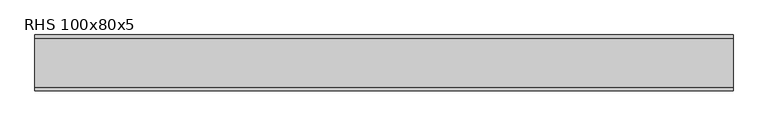
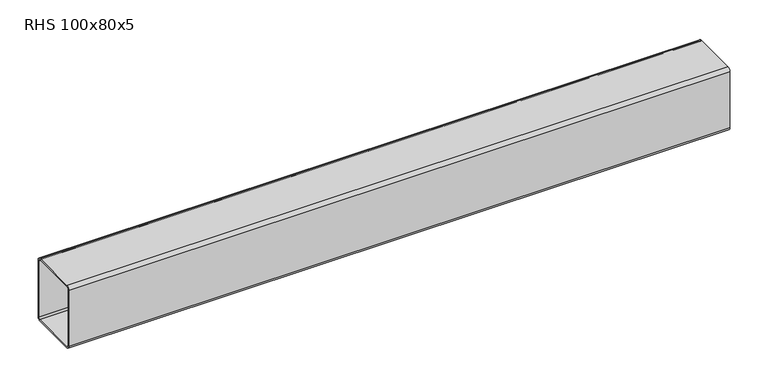
"""IFC4 building model written with IfcOpenShell, lengths in millimetres: beam geometry, RHS 100x80x5."""

from ifc_helpers import new_model, si_unit, point, frame, frame_2d, origin, place, context, project, spatial, polyline, circle_curve, trimmed, segment, composite_curve, outline, extrude, source, transform, mapped, element, save


def rhs_100x80x5_f4bbaf77(model_context):
    return source(origin(), model_context, "Body", "SweptSolid", [
        extrude(outline(composite_curve([segment(polyline([(40.0, 45.0), (40.0, -45.0)]), True, "CONTINUOUS"), segment(trimmed(circle_curve(frame_2d((35.0, -45.0)), 5.0), [point((40.0, -45.0))], [point((35.0, -50.0))], False, "CARTESIAN"), True, "CONTINUOUS"), segment(polyline([(35.0, -50.0), (-35.0, -50.0)]), True, "CONTINUOUS"), segment(trimmed(circle_curve(frame_2d((-35.0, -45.0)), 5.0), [point((-35.0, -50.0))], [point((-40.0, -45.0))], False, "CARTESIAN"), True, "CONTINUOUS"), segment(polyline([(-40.0, -45.0), (-40.0, 45.0)]), True, "CONTINUOUS"), segment(trimmed(circle_curve(frame_2d((-35.0, 45.0)), 5.0), [point((-40.0, 45.0))], [point((-35.0, 50.0))], False, "CARTESIAN"), True, "CONTINUOUS"), segment(polyline([(-35.0, 50.0), (35.0, 50.0)]), True, "CONTINUOUS"), segment(trimmed(circle_curve(frame_2d((35.0, 45.0)), 5.0), [point((35.0, 50.0))], [point((40.0, 45.0))], False, "CARTESIAN"), True, "CONTINUOUS")], self_intersect=False), holes=[composite_curve([segment(trimmed(circle_curve(frame_2d((-35.0, 45.0)), 2.5), [point((-35.0, 47.5))], [point((-37.5, 45.0))], True, "CARTESIAN"), True, "CONTINUOUS"), segment(polyline([(-37.5, 45.0), (-37.5, -45.0)]), True, "CONTINUOUS"), segment(trimmed(circle_curve(frame_2d((-35.0, -45.0)), 2.5), [point((-37.5, -45.0))], [point((-35.0, -47.5))], True, "CARTESIAN"), True, "CONTINUOUS"), segment(polyline([(-35.0, -47.5), (35.0, -47.5)]), True, "CONTINUOUS"), segment(trimmed(circle_curve(frame_2d((35.0, -45.0)), 2.5), [point((35.0, -47.5))], [point((37.5, -45.0))], True, "CARTESIAN"), True, "CONTINUOUS"), segment(polyline([(37.5, -45.0), (37.5, 45.0)]), True, "CONTINUOUS"), segment(trimmed(circle_curve(frame_2d((35.0, 45.0)), 2.5), [point((37.5, 45.0))], [point((35.0, 47.5))], True, "CARTESIAN"), True, "CONTINUOUS"), segment(polyline([(35.0, 47.5), (-35.0, 47.5)]), True, "CONTINUOUS")], self_intersect=False)]), frame((-500.054949, 0.0, 0.0), z_axis=(1.0, 0.0, 0.0), x_axis=(0.0, 1.0, 0.0)), (0.0, 0.0, 1.0), 1000.1098981),
    ])


if __name__ == "__main__":
    model = new_model("IFC4")
    model_context = context("Model", 3, world=origin())
    ifc_project = project(units=[si_unit("LENGTHUNIT", "METRE", prefix="MILLI")], contexts=[model_context])
    site = spatial("IfcSite", under=ifc_project)
    building = spatial("IfcBuilding", under=site)
    placement = place(None, origin())
    rhs_100x80x5_shape = rhs_100x80x5_f4bbaf77(model_context)
    element("IfcBeam", 1, ObjectType="RHS 100x80x5", at=placement, inside=building, context=model_context, shape_type="MappedRepresentation", body=[
        mapped(rhs_100x80x5_shape, transform((0.0, 0.0, 0.0), x_axis=(1.0, 0.0, 0.0), y_axis=(0.0, 1.0, 0.0), z_axis=(0.0, 0.0, 1.0))),
    ])
    save(model, "model.ifc")
